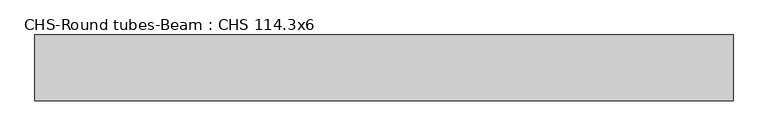
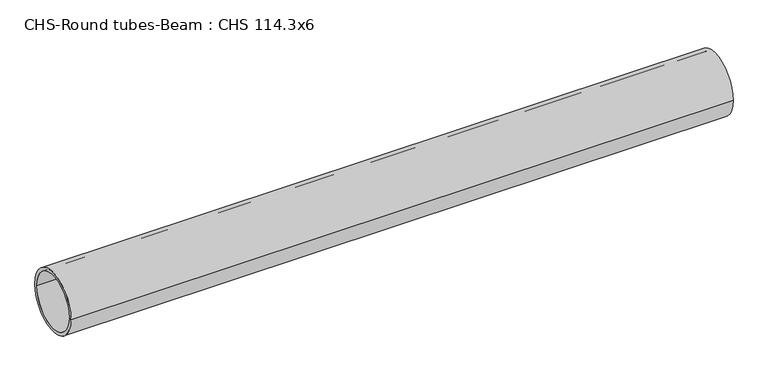
"""IFC4 building model written with IfcOpenShell, lengths in millimetres: beam geometry, CHS-Round tubes-Beam : CHS 114.3x6."""

from ifc_helpers import new_model, si_unit, point, frame, origin, origin_2d, place, context, project, spatial, circle_curve, trimmed, segment, composite_curve, outline, extrude, source, transform, mapped, element, save


def chs_round_tubes_beam_chs_114_3x6_723c9c21(model_context):
    return source(origin(), model_context, "Body", "SweptSolid", [
        extrude(outline(composite_curve([segment(trimmed(circle_curve(origin_2d(), 57.15), [point((57.15, 0.0))], [point((-57.15, 0.0))], False, "CARTESIAN"), True, "CONTINUOUS"), segment(trimmed(circle_curve(origin_2d(), 57.15), [point((-57.15, 0.0))], [point((57.15, 0.0))], False, "CARTESIAN"), True, "CONTINUOUS")], self_intersect=False), holes=[composite_curve([segment(trimmed(circle_curve(origin_2d(), 51.15), [point((51.15, 0.0))], [point((-51.15, 0.0))], True, "CARTESIAN"), True, "CONTINUOUS"), segment(trimmed(circle_curve(origin_2d(), 51.15), [point((-51.15, 0.0))], [point((51.15, 0.0))], True, "CARTESIAN"), True, "CONTINUOUS")], self_intersect=False)]), frame((-640.2717986, 0.0, 0.0), z_axis=(1.0, 0.0, 0.0), x_axis=(0.0, 1.0, 0.0)), (0.0, 0.0, 1.0), 1212.382072),
    ])


if __name__ == "__main__":
    model = new_model("IFC4")
    model_context = context("Model", 3, world=origin())
    ifc_project = project(units=[si_unit("LENGTHUNIT", "METRE", prefix="MILLI")], contexts=[model_context])
    site = spatial("IfcSite", under=ifc_project)
    building = spatial("IfcBuilding", under=site)
    placement = place(None, origin())
    chs_round_tubes_beam_chs_114_3x6_shape = chs_round_tubes_beam_chs_114_3x6_723c9c21(model_context)
    element("IfcBeam", 1, ObjectType="CHS-Round tubes-Beam : CHS 114.3x6", at=placement, inside=building, context=model_context, shape_type="MappedRepresentation", body=[
        mapped(chs_round_tubes_beam_chs_114_3x6_shape, transform((0.0, 0.0, 0.0), x_axis=(1.0, 0.0, 0.0), y_axis=(0.0, 1.0, 0.0), z_axis=(0.0, 0.0, 1.0))),
    ])
    save(model, "model.ifc")
